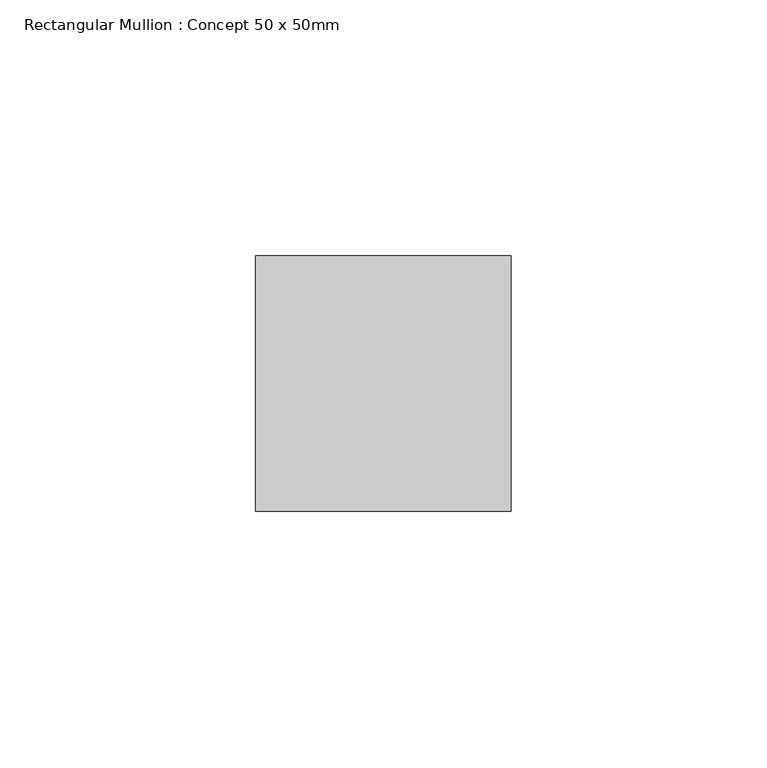
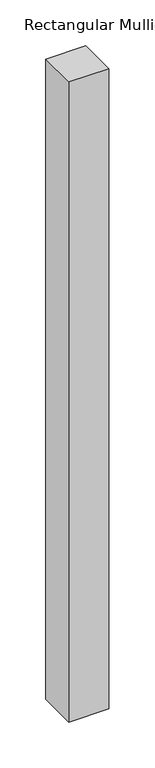
"""IFC4 building model written with IfcOpenShell, lengths in millimetres: member geometry, Rectangular Mullion : Concept 50 x 50mm."""

from ifc_helpers import new_model, si_unit, frame, origin, place, context, project, spatial, polyline, outline, extrude, source, transform, mapped, element, save


def rectangular_mullion_concept_50_x_50mm_5545d4d2(model_context):
    return source(origin(), model_context, "Body", "SweptSolid", [
        extrude(outline(polyline([(25.0, 50.0), (25.0, 0.0), (-25.0, 0.0), (-25.0, 50.0), (25.0, 50.0)])), frame((0.0, 0.0, -851.25), z_axis=(0.0, 0.0, 1.0), x_axis=(1.0, 0.0, 0.0)), (0.0, 0.0, 1.0), 851.25),
    ])


if __name__ == "__main__":
    model = new_model("IFC4")
    model_context = context("Model", 3, world=origin())
    ifc_project = project(units=[si_unit("LENGTHUNIT", "METRE", prefix="MILLI")], contexts=[model_context])
    site = spatial("IfcSite", under=ifc_project)
    building = spatial("IfcBuilding", under=site)
    placement = place(None, origin())
    rectangular_mullion_concept_50_x_50mm_shape = rectangular_mullion_concept_50_x_50mm_5545d4d2(model_context)
    element("IfcMember", 1, ObjectType="Rectangular Mullion : Concept 50 x 50mm", at=placement, inside=building, context=model_context, shape_type="MappedRepresentation", body=[
        mapped(rectangular_mullion_concept_50_x_50mm_shape, transform((0.0, 0.0, 0.0), x_axis=(1.0, 0.0, 0.0), y_axis=(0.0, 1.0, 0.0), z_axis=(0.0, 0.0, 1.0))),
    ])
    save(model, "model.ifc")
